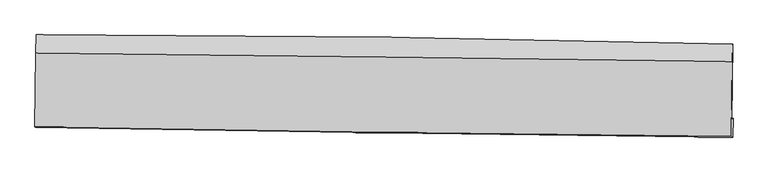
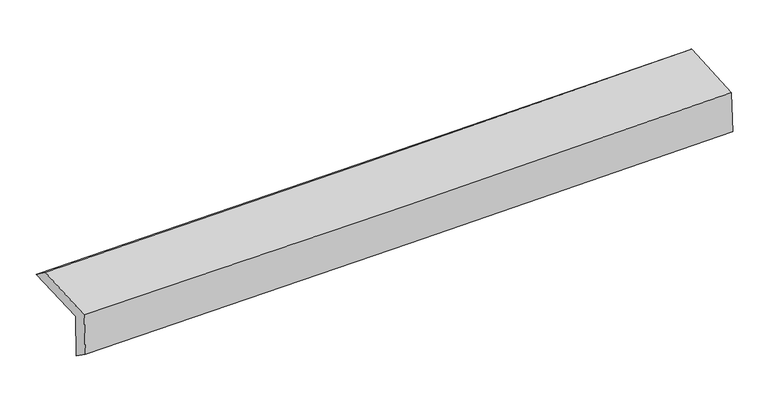
"""IFC4 building model written with IfcOpenShell, lengths in millimetres: proxy geometry."""

from ifc_helpers import new_model, si_unit, frame, origin, place, context, project, spatial, source, transform, mapped, element, save
from ifc_brep_helpers import plane_surface, spline_curve, spline_surface, advanced_brep


def generic_models_f5ebc9ee(model_context):
    return source(origin(), model_context, "Body", "AdvancedBrep", [
        advanced_brep(
        [(-3018.3497367, -1759.1473681, 1969.8564679), (-3010.9732586, -1102.1329834, 1981.3304518), (3003.0976239, -1181.7396229, 2127.2582134), (2995.7984995, -1840.1483249, 2115.7621547), (-3008.3687206, -1745.440786, 1565.044842), (3005.5967411, -1826.6927407, 1718.3635261), (-3013.0347576, -1905.7189888, 1680.3981955), (3001.0181216, -1987.8998532, 1830.5841536), (-3022.3655213, -1900.6779944, 2067.4110162), (2991.6810898, -1982.856827, 2217.7506182), (-3015.700013, -1259.8805871, 2100.4016895), (2998.3465249, -1333.2342433, 2251.1933612)],
        [
            (0, 1),
            (1, 2, spline_curve(3, [(-3010.9732586, -1102.1329834, 1981.3304518), (-2007.510835822, -1101.821274168, 1993.297711316), (-1004.448629156, -1108.303553511, 2011.4477906), (1000.241158748, -1134.847691524, 2060.098196411), (2001.869246336, -1154.900959049, 2090.590704804), (3003.0976239, -1181.7396229, 2127.2582134)], [4, 2, 4], [0.0, 9.87283932935485, 19.739433994296277])),
            (2, 3),
            (3, 0, spline_curve(3, [(2995.7984995, -1840.1483249, 2115.7621547), (1994.075364178, -1824.153486663, 2078.896148637), (992.193377426, -1809.407727885, 2048.306199007), (-1012.522500088, -1782.405827134, 1999.663023092), (-2015.356592025, -1770.151266889, 1981.617744116), (-3018.3497367, -1759.1473681, 1969.8564679)], [4, 2, 4], [0.0, 9.866594664941427, 19.739433994296277])),
            (4, 0),
            (3, 5),
            (5, 4, spline_curve(3, [(3005.5967411, -1826.6927407, 1718.3635261), (2003.59681497, -1810.62584546, 1679.491177581), (1001.591610725, -1795.823143581, 1647.280380108), (-1003.063536375, -1768.737557964, 1596.165716923), (-2005.713486038, -1756.456274758, 1577.270286336), (-3008.3687206, -1745.440786, 1565.044842)], [4, 2, 4], [0.0, 9.866618464224837, 19.739481607925896])),
            (6, 4),
            (5, 7),
            (7, 6, spline_curve(3, [(3001.0181216, -1987.8998532, 1830.5841536), (1998.858859974, -1978.117390626, 1804.94171599), (996.766682563, -1966.380539361, 1779.608862276), (-1007.91769526, -1938.989392318, 1729.546484051), (-2010.509810895, -1923.332622597, 1704.817351961), (-3013.0347576, -1905.7189888, 1680.3981955)], [4, 2, 4], [0.0, 9.866488881925015, 19.739222361312343])),
            (8, 6),
            (7, 9),
            (9, 8, spline_curve(3, [(2991.6810898, -1982.856827, 2217.7506182), (1989.614933779, -1973.119411041, 2188.659191556), (987.569846026, -1961.405259138, 2161.588501817), (-1017.112384643, -1934.014817965, 2111.472742422), (-2019.749500306, -1918.336025856, 2088.430231395), (-3022.3655213, -1900.6779944, 2067.4110162)], [4, 2, 4], [0.0, 9.866474709944052, 19.739194008380835])),
            (10, 8),
            (9, 11),
            (11, 10, spline_curve(3, [(2998.3465249, -1333.2342433, 2251.1933612), (1996.664594302, -1321.299364682, 2222.224052947), (994.811685902, -1309.221100104, 2195.176793455), (-1009.870276835, -1284.770062893, 2144.910468952), (-2012.699547895, -1272.397108851, 2121.693838193), (-3015.700013, -1259.8805871, 2100.4016895)], [4, 2, 4], [0.0, 9.866384525096201, 19.739013581606258])),
            (1, 10),
            (11, 2),
        ],
        [
            spline_surface(3, 3, [[(-3018.3497367, -1759.1473681, 1969.8564679), (-2015.356592152, -1770.151267052, 1981.617743996), (-1012.522500129, -1782.405827239, 1999.663023158), (992.193377467, -1809.407727781, 2048.306198941), (1994.07536417, -1824.153486529, 2078.896148751), (2995.7984995, -1840.1483249, 2115.7621547)], [(-3015.890910664, -1540.142573179, 1973.681129189), (-2012.741340062, -1547.37460272, 1985.511066448), (-1009.831209832, -1557.705069281, 2003.591278911), (994.875971239, -1584.554382414, 2052.236864803), (1996.673324868, -1601.069310647, 2082.794334076), (2998.231540938, -1620.678757556, 2119.594174277)], [(-3013.432084636, -1321.137778321, 1977.505790511), (-2010.12608798, -1324.597938451, 1989.404388933), (-1007.139919511, -1333.004311317, 2007.519534698), (997.558565034, -1359.701037041, 2056.167530699), (1999.27128565, -1377.985134798, 2086.692519371), (3000.664582462, -1401.209190244, 2123.426193823)], [(-3010.9732586, -1102.1329834, 1981.3304518), (-2007.51083589, -1101.821274119, 1993.297711386), (-1004.448629214, -1108.30355336, 2011.44779045), (1000.241158806, -1134.847691675, 2060.098196561), (2001.869246349, -1154.900958916, 2090.590704695), (3003.0976239, -1181.7396229, 2127.2582134)]], [4, 4], [4, 2, 4], [0.0, 2.212868143975038], [0.0, 9.87283932935485, 19.739433994296277]),
            spline_surface(3, 3, [[(-3008.3687206, -1745.440786, 1565.044842), (-2005.713486044, -1756.456274918, 1577.270286427), (-1003.063536434, -1768.737557954, 1596.165717008), (1001.591610784, -1795.823143591, 1647.280380024), (2003.596815071, -1810.625845476, 1679.491177491), (3005.5967411, -1826.6927407, 1718.3635261)], [(-3011.695725957, -1750.009646708, 1699.982050636), (-2008.927854737, -1761.021272304, 1712.052772286), (-1006.216524329, -1773.293647715, 1730.664819052), (998.458866349, -1800.35133832, 1780.955652991), (2000.422998116, -1815.135059178, 1812.626167901), (3002.330660579, -1831.177935451, 1850.829735623)], [(-3015.022731343, -1754.578507392, 1834.919259264), (-2012.142223459, -1765.586269666, 1846.835258137), (-1009.369512235, -1777.849737478, 1865.163921113), (995.326121902, -1804.879533052, 1914.630925974), (1997.249181124, -1819.644272827, 1945.761158342), (2999.064580021, -1835.663130149, 1983.295945177)], [(-3018.3497367, -1759.1473681, 1969.8564679), (-2015.356592152, -1770.151267052, 1981.617743996), (-1012.522500129, -1782.405827239, 1999.663023158), (992.193377467, -1809.407727781, 2048.306198941), (1994.07536417, -1824.153486529, 2078.896148751), (2995.7984995, -1840.1483249, 2115.7621547)]], [4, 4], [4, 2, 4], [0.0, 1.3208776021128203], [0.0, 9.872863143701059, 19.739481607925896]),
            spline_surface(3, 3, [[(-3013.0347576, -1905.7189888, 1680.3981955), (-2010.509811011, -1923.33262253, 1704.817352022), (-1007.917695364, -1938.989392453, 1729.54648415), (996.766682667, -1966.380539227, 1779.608862177), (1998.858860045, -1978.117390782, 1804.941716097), (3001.0181216, -1987.8998532, 1830.5841536)], [(-3011.479411923, -1852.292921201, 1641.947077681), (-2008.911036012, -1867.707173327, 1662.301663505), (-1006.299642376, -1882.238780965, 1685.086228441), (998.374992051, -1909.528074026, 1735.499368131), (2000.438178378, -1922.286875676, 1763.12486991), (3002.544328091, -1934.16414903, 1793.177277781)], [(-3009.924066277, -1798.866853599, 1603.495959819), (-2007.312261043, -1812.081724121, 1619.785974944), (-1004.681589422, -1825.488169442, 1640.625972717), (999.9833014, -1852.675608792, 1691.38987407), (2002.017496738, -1866.456360581, 1721.308023679), (3004.070534609, -1880.42844487, 1755.770401919)], [(-3008.3687206, -1745.440786, 1565.044842), (-2005.713486044, -1756.456274918, 1577.270286427), (-1003.063536434, -1768.737557954, 1596.165717008), (1001.591610784, -1795.823143591, 1647.280380024), (2003.596815071, -1810.625845476, 1679.491177491), (3005.5967411, -1826.6927407, 1718.3635261)]], [4, 4], [4, 2, 4], [0.0, 0.7090832446538942], [0.0, 9.872733479387328, 19.739222361312343]),
            spline_surface(3, 3, [[(-3022.3655213, -1900.6779944, 2067.4110162), (-2019.749500318, -1918.336025692, 2088.430231391), (-1017.112384496, -1934.014817938, 2111.472742442), (987.569845878, -1961.405259165, 2161.588501798), (1989.614933762, -1973.119411099, 2188.659191432), (2991.6810898, -1982.856827, 2217.7506182)], [(-3019.25526675, -1902.358325859, 1938.406742613), (-2016.669603899, -1920.001557964, 1960.559271581), (-1014.047488114, -1935.673009431, 1984.163989669), (990.635458146, -1963.063685839, 2034.261955248), (1992.69624253, -1974.785404304, 2060.753366302), (2994.79343374, -1984.537835711, 2088.695129982)], [(-3016.14501215, -1904.038657341, 1809.402469087), (-2013.58970743, -1921.667090258, 1832.688311833), (-1010.982591746, -1937.331200961, 1856.855236923), (993.701070399, -1964.722112552, 1906.935408726), (1995.777551277, -1976.451397577, 1932.847541227), (2997.90577766, -1986.218844489, 1959.639641818)], [(-3013.0347576, -1905.7189888, 1680.3981955), (-2010.509811011, -1923.33262253, 1704.817352022), (-1007.917695364, -1938.989392453, 1729.54648415), (996.766682667, -1966.380539227, 1779.608862177), (1998.858860045, -1978.117390782, 1804.941716097), (3001.0181216, -1987.8998532, 1830.5841536)]], [4, 4], [4, 2, 4], [0.0, 1.2535958067801718], [0.0, 9.872719298436783, 19.739194008380835]),
            spline_surface(3, 3, [[(-3015.700013, -1259.8805871, 2100.4016895), (-2012.699547837, -1272.397108928, 2121.693838175), (-1009.870276865, -1284.770062908, 2144.910469043), (994.811685932, -1309.22110009, 2195.176793365), (1996.664594276, -1321.299364829, 2222.224053026), (2998.3465249, -1333.2342433, 2251.1933612)], [(-3017.921849106, -1473.479722879, 2089.404798424), (-2015.049532003, -1487.710081195, 2110.605969271), (-1012.284312756, -1501.184981247, 2133.764560175), (992.397739233, -1526.615819777, 2183.980696175), (1994.314707438, -1538.5727136, 2211.035765824), (2996.124713199, -1549.775104548, 2240.045780196)], [(-3020.143685194, -1687.078858621, 2078.407907276), (-2017.399516152, -1703.023053425, 2099.518100295), (-1014.698348604, -1717.599899599, 2122.61865131), (989.983792577, -1744.010539477, 2172.784598988), (1991.9648206, -1755.846062328, 2199.847478635), (2993.902901501, -1766.315965752, 2228.898199204)], [(-3022.3655213, -1900.6779944, 2067.4110162), (-2019.749500318, -1918.336025692, 2088.430231391), (-1017.112384496, -1934.014817938, 2111.472742442), (987.569845878, -1961.405259165, 2161.588501798), (1989.614933762, -1973.119411099, 2188.659191432), (2991.6810898, -1982.856827, 2217.7506182)]], [4, 4], [4, 2, 4], [0.0, 2.1378483908608796], [0.0, 9.872629056510057, 19.739013581606258]),
            spline_surface(3, 3, [[(-3010.9732586, -1102.1329834, 1981.3304518), (-2007.51083589, -1101.821274119, 1993.297711386), (-1004.448629214, -1108.30355336, 2011.44779045), (1000.241158806, -1134.847691675, 2060.098196561), (2001.869246349, -1154.900958916, 2090.590704695), (3003.0976239, -1181.7396229, 2127.2582134)], [(-3012.5488434, -1154.715517973, 2021.020864357), (-2009.240406539, -1158.679885728, 2036.096420306), (-1006.255845095, -1167.125723213, 2055.935350003), (998.431334516, -1192.97216115, 2105.124395518), (2000.134362342, -1210.367094225, 2134.468487481), (3001.513924251, -1232.237829705, 2168.569929342)], [(-3014.1244282, -1207.298052527, 2060.711276943), (-2010.969977188, -1215.538497319, 2078.895129255), (-1008.063060983, -1225.947893055, 2100.42290949), (996.621510221, -1251.096630615, 2150.150594408), (1998.399478282, -1265.83322952, 2178.34627024), (2999.930224549, -1282.736036495, 2209.881645258)], [(-3015.700013, -1259.8805871, 2100.4016895), (-2012.699547837, -1272.397108928, 2121.693838175), (-1009.870276865, -1284.770062908, 2144.910469043), (994.811685932, -1309.22110009, 2195.176793365), (1996.664594276, -1321.299364829, 2222.224053026), (2998.3465249, -1333.2342433, 2251.1933612)]], [4, 4], [4, 2, 4], [0.0, 0.7249861657643831], [0.0, 9.872637562421906, 19.739030588049886]),
            plane_surface(frame((2999.2564335, -1692.0952687, 2043.4853379), z_axis=(0.999639533056122, -0.011505556954766403, 0.02425749596515065), x_axis=(0.024107270073318903, -0.01302058248133391, -0.9996245815112086))),
            plane_surface(frame((-3014.7986679, -1612.1664513, 1894.0737772), z_axis=(-0.9996380148911166, 0.011646750731183885, -0.02425267783057465), x_axis=(-0.01122485142692138, -0.9997845512657542, -0.017460061877849015))),
        ],
        [
            (0, [[1, 2, 3, 4]]),
            (1, [[5, -4, 6, 7]]),
            (2, [[8, -7, 9, 10]]),
            (3, [[11, -10, 12, 13]]),
            (4, [[14, -13, 15, 16]]),
            (5, [[17, -16, 18, -2]]),
            (6, [[-12, -9, -6, -3, -18, -15]]),
            (7, [[-1, -5, -8, -11, -14, -17]]),
        ],
    ),
    ])


if __name__ == "__main__":
    model = new_model("IFC4")
    model_context = context("Model", 3, world=origin())
    ifc_project = project(units=[si_unit("LENGTHUNIT", "METRE", prefix="MILLI")], contexts=[model_context])
    site = spatial("IfcSite", under=ifc_project)
    building = spatial("IfcBuilding", under=site)
    placement = place(None, origin())
    generic_models_shape = generic_models_f5ebc9ee(model_context)
    element("IfcBuildingElementProxy", 1, Name="Generic Models", at=placement, inside=building, context=model_context, shape_type="MappedRepresentation", body=[
        mapped(generic_models_shape, transform((0.0, 0.0, 0.0), x_axis=(1.0, 0.0, 0.0), y_axis=(0.0, 1.0, 0.0), z_axis=(0.0, 0.0, 1.0))),
    ])
    save(model, "model.ifc")
